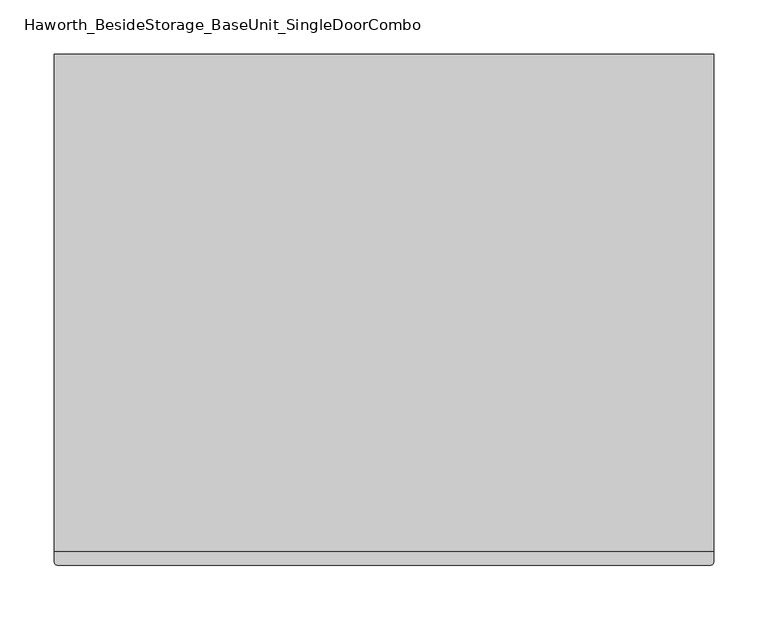
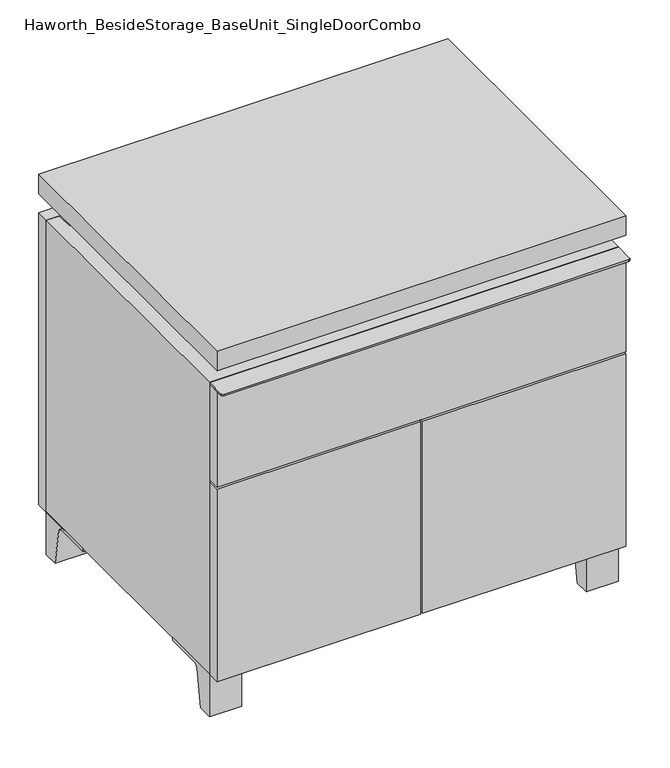
"""IFC4 building model written with IfcOpenShell, lengths in millimetres: furniture geometry, Haworth_BesideStorage_BaseUnit_SingleDoorCombo."""

from ifc_helpers import new_model, si_unit, point, frame, frame_2d, origin, place, context, project, spatial, polyline, circle_curve, trimmed, segment, composite_curve, outline, extrude, faceted_brep, source, transform, mapped, element, save


def haworth_besidestorage_baseunit_singledoorcombo_0acb3076(model_context):
    return source(origin(), model_context, "Body", "SolidModel", [
        extrude(outline(composite_curve([segment(polyline([(-123.2958469, 0.0), (-146.05, 0.0), (-146.05, 66.675), (-50.8, 66.675), (-50.8, 61.8963321), (-107.6005345, 61.8963321)]), True, "CONTINUOUS"), segment(trimmed(circle_curve(frame_2d((-107.6005345, 55.5463321)), 6.35), [point((-107.6005345, 61.8963321))], [point((-113.8641359, 56.5902656))], True, "CARTESIAN"), True, "CONTINUOUS"), segment(polyline([(-113.8641359, 56.5902656), (-123.2958469, 0.0)]), True, "CONTINUOUS")], self_intersect=False)), frame((255.6013906, 0.0, 0.0), z_axis=(1.0, 0.0, 0.0), x_axis=(0.0, 1.0, 0.0)), (0.0, 0.0, 1.0), 47.625),
        extrude(outline(composite_curve([segment(polyline([(250.2958469, 0.0), (240.8641359, 56.5902656)]), True, "CONTINUOUS"), segment(trimmed(circle_curve(frame_2d((234.6005345, 55.5463321)), 6.35), [point((240.8641359, 56.5902656))], [point((234.6005345, 61.8963321))], True, "CARTESIAN"), True, "CONTINUOUS"), segment(polyline([(234.6005345, 61.8963321), (177.8, 61.8963321), (177.8, 66.675), (273.05, 66.675), (273.05, 0.0), (250.2958469, 0.0)]), True, "CONTINUOUS")], self_intersect=False)), frame((255.6013906, 0.0, 0.0), z_axis=(1.0, 0.0, 0.0), x_axis=(0.0, 1.0, 0.0)), (0.0, 0.0, 1.0), 47.625),
        extrude(outline(composite_curve([segment(polyline([(-123.2958469, 0.0), (-146.05, 0.0), (-146.05, 66.675), (-50.8, 66.675), (-50.8, 61.8963321), (-107.6005345, 61.8963321)]), True, "CONTINUOUS"), segment(trimmed(circle_curve(frame_2d((-107.6005345, 55.5463321)), 6.35), [point((-107.6005345, 61.8963321))], [point((-113.8641359, 56.5902656))], True, "CARTESIAN"), True, "CONTINUOUS"), segment(polyline([(-113.8641359, 56.5902656), (-123.2958469, 0.0)]), True, "CONTINUOUS")], self_intersect=False)), frame((-303.1986094, 0.0, 0.0), z_axis=(1.0, 0.0, 0.0), x_axis=(0.0, 1.0, 0.0)), (0.0, 0.0, 1.0), 47.625),
        extrude(outline(composite_curve([segment(polyline([(250.2958469, 0.0), (240.8641359, 56.5902656)]), True, "CONTINUOUS"), segment(trimmed(circle_curve(frame_2d((234.6005345, 55.5463321)), 6.35), [point((240.8641359, 56.5902656))], [point((234.6005345, 61.8963321))], True, "CARTESIAN"), True, "CONTINUOUS"), segment(polyline([(234.6005345, 61.8963321), (177.8, 61.8963321), (177.8, 66.675), (273.05, 66.675), (273.05, 0.0), (250.2958469, 0.0)]), True, "CONTINUOUS")], self_intersect=False)), frame((-303.1986094, 0.0, 0.0), z_axis=(1.0, 0.0, 0.0), x_axis=(0.0, 1.0, 0.0)), (0.0, 0.0, 1.0), 47.625),
        faceted_brep([(-303.1986094, -146.05, 66.675), (303.2125, -146.05, 66.675), (303.2125, -146.05, 523.875), (-303.1986094, -146.05, 523.875), (-284.1486094, -146.05, 85.725), (-284.1486094, -146.05, 504.825), (284.1694453, -146.05, 504.825), (284.1486094, -146.05, 85.725), (-303.1986094, 273.05, 66.675), (-303.1986094, 273.05, 523.875), (-284.1486094, 273.05, 523.875), (-284.1486094, 273.05, 85.725), (284.1486094, 273.05, 85.725), (284.1486094, 273.05, 523.875), (303.2125, 273.05, 523.875), (303.2125, 273.05, 66.675), (284.1486094, 247.65, 523.875), (-284.1416641, 247.65, 523.875), (-284.1486094, 247.65, 504.825), (284.1486094, 247.65, 504.825)], [[[0, 1, 2, 3], [4, 5, 6, 7]], [[8, 9, 10, 11, 12, 13, 14, 15]], [[1, 0, 8, 15]], [[2, 1, 15, 14]], [[3, 2, 14, 13, 16, 17, 10, 9]], [[0, 3, 9, 8]], [[11, 10, 17, 18, 5, 4]], [[13, 12, 7, 6, 19, 16]], [[4, 7, 12, 11]], [[6, 5, 18, 19]], [[17, 16, 19, 18]]]),
        extrude(outline(polyline([(303.2263906, -165.1), (-303.1986094, -165.1), (-303.1986094, 292.1), (303.2263906, 292.1), (303.2263906, -165.1)])), frame((0.0, 0.0, 554.0375), z_axis=(0.0, 0.0, 1.0), x_axis=(1.0, 0.0, 0.0)), (0.0, 0.0, 1.0), 30.1625),
        faceted_brep([(7.9513906, -69.85, 554.0375), (7.9513906, -69.85, 523.875), (7.9513906, 53.975, 523.875), (7.9513906, 53.975, 554.0375), (7.9513906, 196.85, 523.875), (7.9513906, 196.85, 554.0375), (7.9513906, 73.025, 554.0375), (7.9513906, 73.025, 523.875), (-7.9236094, 196.85, 554.0375), (-7.9236094, 196.85, 523.875), (-7.9236094, 73.025, 523.875), (-7.9236094, 73.025, 554.0375), (-7.9236094, -69.85, 523.875), (-7.9236094, -69.85, 554.0375), (-7.9236094, 53.975, 554.0375), (-7.9236094, 53.975, 523.875), (-261.8958281, 73.025, 554.0375), (-261.9166641, 247.65, 554.0375), (-277.7916641, 247.65, 554.0375), (-277.7916641, -120.65, 554.0375), (-261.9166641, -120.65, 554.0375), (-261.9166641, 53.975, 554.0375), (261.9236094, 53.975, 554.0375), (261.9236094, -120.65, 554.0375), (277.7986094, -120.65, 554.0375), (277.7986094, 247.65, 554.0375), (261.9236094, 247.65, 554.0375), (261.9236094, 73.025, 554.0375), (-261.8958281, 53.975, 523.875), (-261.9166641, -120.65, 523.875), (-277.7916641, -120.65, 523.875), (-277.7916641, 247.65, 523.875), (-261.9166641, 247.65, 523.875), (-261.9166641, 73.025, 523.875), (261.9236094, 73.025, 523.875), (261.9236094, 247.65, 523.875), (277.7986094, 247.65, 523.875), (277.7986094, -120.65, 523.875), (261.9236094, -120.65, 523.875), (261.9236094, 53.975, 523.875)], [[[0, 1, 2, 3]], [[4, 5, 6, 7]], [[8, 9, 10, 11]], [[12, 13, 14, 15]], [[5, 8, 11, 16, 17, 18, 19, 20, 21, 14, 13, 0, 3, 22, 23, 24, 25, 26, 27, 6]], [[1, 12, 15, 28, 29, 30, 31, 32, 33, 10, 9, 4, 7, 34, 35, 36, 37, 38, 39, 2]], [[5, 4, 9, 8]], [[1, 0, 13, 12]], [[6, 27, 34, 7]], [[22, 3, 2, 39]], [[20, 29, 28, 21]], [[32, 17, 16, 33]], [[18, 31, 30, 19]], [[29, 20, 19, 30]], [[17, 32, 31, 18]], [[26, 35, 34, 27]], [[38, 23, 22, 39]], [[25, 24, 37, 36]], [[23, 38, 37, 24]], [[35, 26, 25, 36]], [[16, 11, 10, 33]], [[14, 21, 28, 15]]]),
        extrude(outline(polyline([(303.2263906, 273.05), (-303.1986094, 273.05), (-303.1986094, 292.1), (303.2263906, 292.1), (303.2263906, 273.05)])), frame((0.0, 0.0, 66.675), z_axis=(0.0, 0.0, 1.0), x_axis=(1.0, 0.0, 0.0)), (0.0, 0.0, 1.0), 457.2),
        extrude(outline(polyline([(-284.1416641, 203.2), (-284.1416641, 209.55), (284.1694453, 209.55), (284.1694453, 203.2), (-284.1416641, 203.2)])), frame((0.0, 0.0, 85.725), z_axis=(0.0, 0.0, 1.0), x_axis=(1.0, 0.0, 0.0)), (0.0, 0.0, 1.0), 419.1),
        extrude(outline(polyline([(1.6013906, -165.1), (1.6013906, -146.05), (303.2263906, -146.05), (303.2263906, -165.1), (1.6013906, -165.1)])), frame((0.0, 0.0, 66.675), z_axis=(0.0, 0.0, 1.0), x_axis=(1.0, 0.0, 0.0)), (0.0, 0.0, 1.0), 301.625),
        extrude(outline(polyline([(-1.5736094, -165.1), (-303.1986094, -165.1), (-303.1986094, -146.05), (-1.5736094, -146.05), (-1.5736094, -165.1)])), frame((0.0, 0.0, 66.675), z_axis=(0.0, 0.0, 1.0), x_axis=(1.0, 0.0, 0.0)), (0.0, 0.0, 1.0), 301.625),
        extrude(outline(composite_curve([segment(polyline([(303.2263906, -146.05), (303.2263906, -174.625)]), True, "CONTINUOUS"), segment(trimmed(circle_curve(frame_2d((300.0513906, -174.625)), 3.175), [point((303.2263906, -174.625))], [point((300.0513906, -177.8))], False, "CARTESIAN"), True, "CONTINUOUS"), segment(polyline([(300.0513906, -177.8), (-300.0236094, -177.8)]), True, "CONTINUOUS"), segment(trimmed(circle_curve(frame_2d((-300.0236094, -174.625)), 3.175), [point((-300.0236094, -177.8))], [point((-303.1986094, -174.625))], False, "CARTESIAN"), True, "CONTINUOUS"), segment(polyline([(-303.1986094, -174.625), (-303.1986094, -146.05), (303.2263906, -146.05)]), True, "CONTINUOUS")], self_intersect=False)), frame((0.0, 0.0, 521.49375), z_axis=(0.0, 0.0, 1.0), x_axis=(1.0, 0.0, 0.0)), (0.0, 0.0, 1.0), 2.38125),
        extrude(outline(polyline([(303.2263906, -146.05), (303.2263906, -165.1), (-303.1986094, -165.1), (-303.1986094, -146.05), (303.2263906, -146.05)])), frame((0.0, 0.0, 371.475), z_axis=(0.0, 0.0, 1.0), x_axis=(1.0, 0.0, 0.0)), (0.0, 0.0, 1.0), 150.01875),
    ])


if __name__ == "__main__":
    model = new_model("IFC4")
    model_context = context("Model", 3, world=origin())
    ifc_project = project(units=[si_unit("LENGTHUNIT", "METRE", prefix="MILLI")], contexts=[model_context])
    site = spatial("IfcSite", under=ifc_project)
    building = spatial("IfcBuilding", under=site)
    placement = place(None, origin())
    haworth_besidestorage_baseunit_singledoorcombo_shape = haworth_besidestorage_baseunit_singledoorcombo_0acb3076(model_context)
    element("IfcFurniture", 1, ObjectType="Haworth_BesideStorage_BaseUnit_SingleDoorCombo", at=placement, inside=building, context=model_context, shape_type="MappedRepresentation", body=[
        mapped(haworth_besidestorage_baseunit_singledoorcombo_shape, transform((0.0, 0.0, 0.0), x_axis=(1.0, 0.0, 0.0), y_axis=(0.0, 1.0, 0.0), z_axis=(0.0, 0.0, 1.0))),
    ])
    save(model, "model.ifc")
